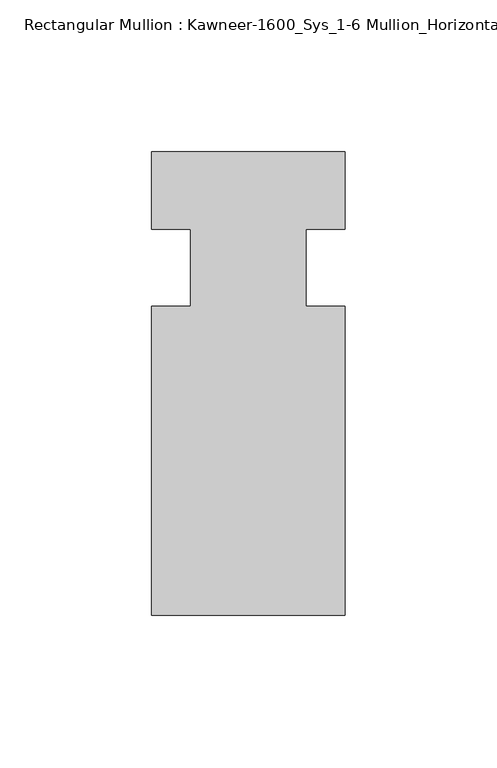
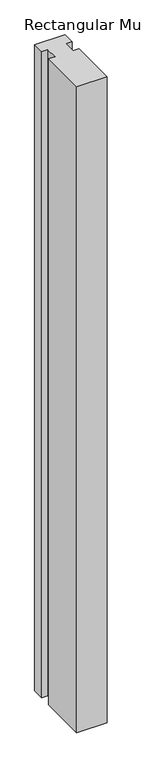
"""IFC4 building model written with IfcOpenShell, lengths in millimetres: member geometry, Rectangular Mullion : Kawneer-1600_Sys_1-6 Mullion_Horizontal."""

from ifc_helpers import new_model, si_unit, frame, origin, place, context, project, spatial, polyline, outline, extrude, source, transform, mapped, element, save


def rectangular_mullion_kawneer_1600_sys_1_6_mullion_horizontal_029d4cdc(model_context):
    return source(origin(), model_context, "Body", "SweptSolid", [
        extrude(outline(polyline([(31.75, -114.3), (-31.75, -114.3), (-31.75, -12.7), (-19.05, -12.7), (-19.05, 12.7), (-31.75, 12.7), (-31.75, 38.1), (31.75, 38.1), (31.75, 12.7), (19.0482296, 12.7), (19.0482296, -12.7), (31.75, -12.7), (31.75, -114.3)])), frame((0.0, 0.0, -1428.75), z_axis=(0.0, 0.0, 1.0), x_axis=(1.0, 0.0, 0.0)), (0.0, 0.0, 1.0), 1428.75),
    ])


if __name__ == "__main__":
    model = new_model("IFC4")
    model_context = context("Model", 3, world=origin())
    ifc_project = project(units=[si_unit("LENGTHUNIT", "METRE", prefix="MILLI")], contexts=[model_context])
    site = spatial("IfcSite", under=ifc_project)
    building = spatial("IfcBuilding", under=site)
    placement = place(None, origin())
    rectangular_mullion_kawneer_1600_sys_1_6_mullion_horizontal_shape = rectangular_mullion_kawneer_1600_sys_1_6_mullion_horizontal_029d4cdc(model_context)
    element("IfcMember", 1, ObjectType="Rectangular Mullion : Kawneer-1600_Sys_1-6 Mullion_Horizontal", at=placement, inside=building, context=model_context, shape_type="MappedRepresentation", body=[
        mapped(rectangular_mullion_kawneer_1600_sys_1_6_mullion_horizontal_shape, transform((0.0, 0.0, 0.0), x_axis=(1.0, 0.0, 0.0), y_axis=(0.0, 1.0, 0.0), z_axis=(0.0, 0.0, 1.0))),
    ])
    save(model, "model.ifc")
